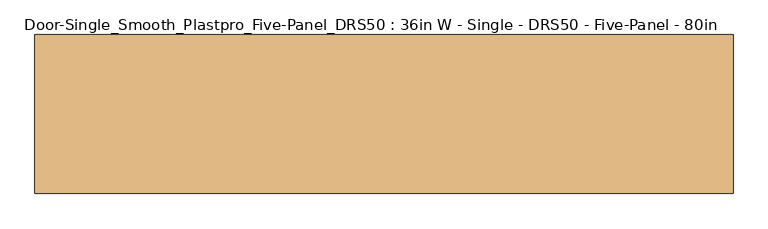
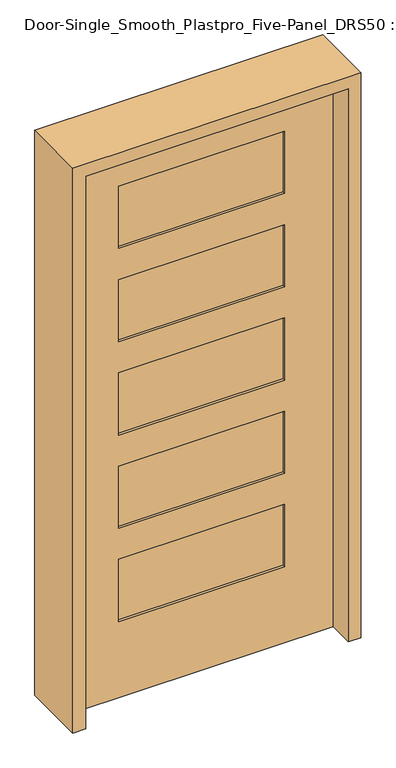
"""IFC4 building model written with IfcOpenShell, lengths in millimetres: door geometry, Door-Single_Smooth_Plastpro_Five-Panel_DRS50 : 36in W - Single - DRS50 - Five-Panel - 80in."""

from ifc_helpers import new_model, si_unit, frame, origin, place, context, project, spatial, polyline, outline, extrude, faceted_brep, source, transform, mapped, element, save


def door_single_smooth_plastpro_five_panel_drs50_36in_w_single_41e3a592(model_context):
    return source(origin(), model_context, "Body", "SolidModel", [
        faceted_brep([(457.2, 22.225, 0.0), (457.2, -22.225, 0.0), (-457.2, -22.225, 0.0), (-457.2, 22.225, 0.0), (457.2, 22.225, 2032.0), (457.2, -22.225, 2032.0), (-457.2, -22.225, 2032.0), (-288.925, -22.225, 965.2), (-288.925, -22.225, 1193.8), (288.925, -22.225, 1193.8), (288.925, -22.225, 965.2), (-288.925, -22.225, 622.3), (-288.925, -22.225, 850.9), (288.925, -22.225, 850.9), (288.925, -22.225, 622.3), (-288.925, -22.225, 279.4), (-288.925, -22.225, 508.0), (288.925, -22.225, 508.0), (288.925, -22.225, 279.4), (-288.925, -22.225, 1651.0), (-288.925, -22.225, 1879.6), (288.925, -22.225, 1879.6), (288.925, -22.225, 1651.0), (-288.925, -22.225, 1308.1), (-288.925, -22.225, 1536.7), (288.925, -22.225, 1536.7), (288.925, -22.225, 1308.1), (-457.2, 22.225, 2032.0), (-288.925, 22.225, 1193.8), (-288.925, 22.225, 965.2), (288.925, 22.225, 965.2), (288.925, 22.225, 1193.8), (-288.925, 22.225, 850.9), (-288.925, 22.225, 622.3), (288.925, 22.225, 622.3), (288.925, 22.225, 850.9), (-288.925, 22.225, 508.0), (-288.925, 22.225, 279.4), (288.925, 22.225, 279.4), (288.925, 22.225, 508.0), (-288.925, 22.225, 1879.6), (-288.925, 22.225, 1651.0), (288.925, 22.225, 1651.0), (288.925, 22.225, 1879.6), (-288.925, 22.225, 1536.7), (-288.925, 22.225, 1308.1), (288.925, 22.225, 1308.1), (288.925, 22.225, 1536.7), (-288.925, 13.2447439, 1193.8), (-288.925, 13.2447439, 965.2), (288.925, 13.2447439, 965.2), (288.925, 13.2447439, 1193.8), (-288.925, 13.2447439, 850.9), (-288.925, 13.2447439, 622.3), (288.925, 13.2447439, 622.3), (288.925, 13.2447439, 850.9), (-288.925, 13.2447439, 508.0), (-288.925, 13.2447439, 279.4), (288.925, 13.2447439, 279.4), (288.925, 13.2447439, 508.0), (-288.925, -13.2447439, 965.2), (-288.925, -13.2447439, 1193.8), (288.925, -13.2447439, 1193.8), (288.925, -13.2447439, 965.2), (-288.925, -13.2447439, 622.3), (-288.925, -13.2447439, 850.9), (288.925, -13.2447439, 850.9), (288.925, -13.2447439, 622.3), (-288.925, -13.2447439, 279.4), (-288.925, -13.2447439, 508.0), (288.925, -13.2447439, 508.0), (288.925, -13.2447439, 279.4), (-288.925, -13.2447439, 1651.0), (288.925, -13.2447439, 1651.0), (288.925, -13.2447439, 1879.6), (-288.925, -13.2447439, 1879.6), (-288.925, -13.2447439, 1308.1), (288.925, -13.2447439, 1308.1), (288.925, -13.2447439, 1536.7), (-288.925, -13.2447439, 1536.7), (-288.925, 13.2447439, 1651.0), (-288.925, 13.2447439, 1879.6), (288.925, 13.2447439, 1879.6), (288.925, 13.2447439, 1651.0), (-288.925, 13.2447439, 1308.1), (-288.925, 13.2447439, 1536.7), (288.925, 13.2447439, 1536.7), (288.925, 13.2447439, 1308.1)], [[[0, 1, 2, 3]], [[4, 5, 1, 0]], [[5, 6, 2, 1], [7, 8, 9, 10], [11, 12, 13, 14], [15, 16, 17, 18], [19, 20, 21, 22], [23, 24, 25, 26]], [[6, 27, 3, 2]], [[27, 4, 0, 3], [28, 29, 30, 31], [32, 33, 34, 35], [36, 37, 38, 39], [40, 41, 42, 43], [44, 45, 46, 47]], [[48, 49, 29, 28]], [[49, 50, 30, 29]], [[50, 51, 31, 30]], [[51, 48, 28, 31]], [[52, 53, 33, 32]], [[53, 54, 34, 33]], [[54, 55, 35, 34]], [[55, 52, 32, 35]], [[56, 57, 37, 36]], [[57, 58, 38, 37]], [[58, 59, 39, 38]], [[59, 56, 36, 39]], [[60, 61, 8, 7]], [[61, 62, 9, 8]], [[62, 63, 10, 9]], [[63, 60, 7, 10]], [[64, 65, 12, 11]], [[65, 66, 13, 12]], [[66, 67, 14, 13]], [[67, 64, 11, 14]], [[68, 69, 16, 15]], [[69, 70, 17, 16]], [[70, 71, 18, 17]], [[71, 68, 15, 18]], [[60, 63, 62, 61]], [[64, 67, 66, 65]], [[68, 71, 70, 69]], [[72, 73, 74, 75]], [[76, 77, 78, 79]], [[49, 48, 51, 50]], [[53, 52, 55, 54]], [[57, 56, 59, 58]], [[80, 81, 82, 83]], [[84, 85, 86, 87]], [[4, 27, 6, 5]], [[72, 75, 20, 19]], [[75, 74, 21, 20]], [[74, 73, 22, 21]], [[73, 72, 19, 22]], [[76, 79, 24, 23]], [[79, 78, 25, 24]], [[78, 77, 26, 25]], [[77, 76, 23, 26]], [[81, 80, 41, 40]], [[82, 81, 40, 43]], [[83, 82, 43, 42]], [[80, 83, 42, 41]], [[85, 84, 45, 44]], [[86, 85, 44, 47]], [[87, 86, 47, 46]], [[84, 87, 46, 45]]]),
        extrude(outline(polyline([(2076.45, -501.65), (0.0, -501.65), (0.0, -457.2), (2032.0, -457.2), (2032.0, 457.2), (0.0, 457.2), (0.0, 501.65), (2076.45, 501.65), (2076.45, -501.65)])), frame((0.0, -114.3, 0.0), z_axis=(0.0, 1.0, 0.0), x_axis=(0.0, 0.0, 1.0)), (0.0, 0.0, 1.0), 228.6),
    ])


if __name__ == "__main__":
    model = new_model("IFC4")
    model_context = context("Model", 3, world=origin())
    ifc_project = project(units=[si_unit("LENGTHUNIT", "METRE", prefix="MILLI")], contexts=[model_context])
    site = spatial("IfcSite", under=ifc_project)
    building = spatial("IfcBuilding", under=site)
    placement = place(None, origin())
    door_single_smooth_plastpro_five_panel_drs50_36in_w_single_shape = door_single_smooth_plastpro_five_panel_drs50_36in_w_single_41e3a592(model_context)
    element("IfcDoor", 1, ObjectType="Door-Single_Smooth_Plastpro_Five-Panel_DRS50 : 36in W - Single - DRS50 - Five-Panel - 80in", at=placement, inside=building, context=model_context, shape_type="MappedRepresentation", body=[
        mapped(door_single_smooth_plastpro_five_panel_drs50_36in_w_single_shape, transform((0.0, 0.0, 0.0), x_axis=(1.0, 0.0, 0.0), y_axis=(0.0, 1.0, 0.0), z_axis=(0.0, 0.0, 1.0))),
    ])
    save(model, "model.ifc")
